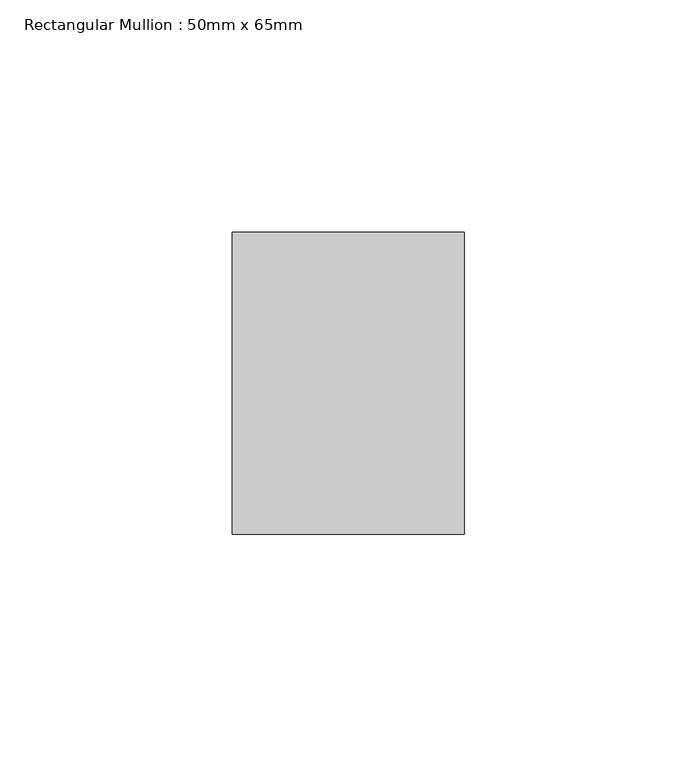
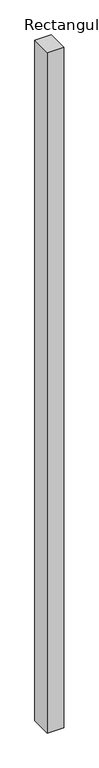
"""IFC4 building model written with IfcOpenShell, lengths in millimetres: member geometry, Rectangular Mullion : 50mm x 65mm."""

from ifc_helpers import new_model, si_unit, frame, origin, place, context, project, spatial, polyline, outline, extrude, source, transform, mapped, element, save


def rectangular_mullion_50mm_x_65mm_b44c29c1(model_context):
    return source(origin(), model_context, "Body", "SweptSolid", [
        extrude(outline(polyline([(25.0, 32.5), (25.0, -32.5), (-25.0, -32.5), (-25.0, 32.5), (25.0, 32.5)])), frame((0.0, 0.0, -2186.9741264), z_axis=(0.0, 0.0, 1.0), x_axis=(1.0, 0.0, 0.0)), (0.0, 0.0, 1.0), 2186.9741264),
    ])


if __name__ == "__main__":
    model = new_model("IFC4")
    model_context = context("Model", 3, world=origin())
    ifc_project = project(units=[si_unit("LENGTHUNIT", "METRE", prefix="MILLI")], contexts=[model_context])
    site = spatial("IfcSite", under=ifc_project)
    building = spatial("IfcBuilding", under=site)
    placement = place(None, origin())
    rectangular_mullion_50mm_x_65mm_shape = rectangular_mullion_50mm_x_65mm_b44c29c1(model_context)
    element("IfcMember", 1, ObjectType="Rectangular Mullion : 50mm x 65mm", at=placement, inside=building, context=model_context, shape_type="MappedRepresentation", body=[
        mapped(rectangular_mullion_50mm_x_65mm_shape, transform((0.0, 0.0, 0.0), x_axis=(1.0, 0.0, 0.0), y_axis=(0.0, 1.0, 0.0), z_axis=(0.0, 0.0, 1.0))),
    ])
    save(model, "model.ifc")
